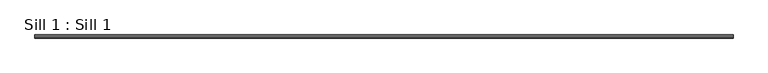
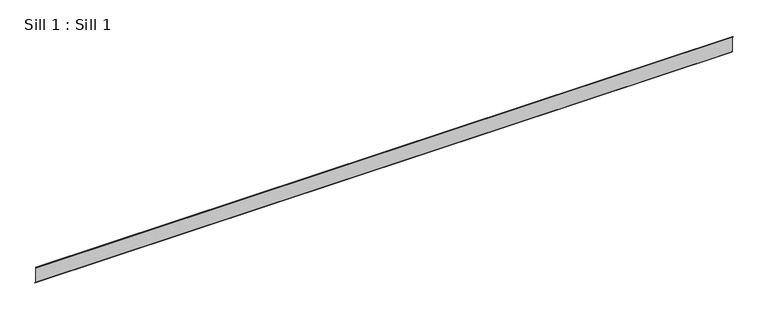
"""IFC4 building model written with IfcOpenShell, lengths in millimetres: proxy geometry, Sill 1 : Sill 1."""

from ifc_helpers import new_model, si_unit, frame, origin, place, context, project, spatial, polyline, outline, extrude, source, transform, mapped, element, save


def sill_1_sill_1_be0c2cfc(model_context):
    return source(origin(), model_context, "Body", "SweptSolid", [
        extrude(outline(polyline([(-18012.7597023, -197.090089), (-18012.7597023, -112.4991864), (-18019.7040517, -108.4888424), (-18018.9190902, -107.1295957), (-18011.1700637, -111.6046387), (-18011.1700637, -196.4354386), (-18002.6540186, -204.9514838), (-18003.7761631, -206.0736283), (-18012.7597023, -197.090089)])), frame((8296.6166837, 0.0, 0.0), z_axis=(1.0, 0.0, 0.0), x_axis=(0.0, 1.0, 0.0)), (0.0, 0.0, 1.0), 3755.7374649),
    ])


if __name__ == "__main__":
    model = new_model("IFC4")
    model_context = context("Model", 3, world=origin())
    ifc_project = project(units=[si_unit("LENGTHUNIT", "METRE", prefix="MILLI")], contexts=[model_context])
    site = spatial("IfcSite", under=ifc_project)
    building = spatial("IfcBuilding", under=site)
    placement = place(None, origin())
    sill_1_sill_1_shape = sill_1_sill_1_be0c2cfc(model_context)
    element("IfcBuildingElementProxy", 1, Name="Sill 1 : Sill 1", ObjectType="Sill 1 : Sill 1", at=placement, inside=building, context=model_context, shape_type="MappedRepresentation", body=[
        mapped(sill_1_sill_1_shape, transform((0.0, 0.0, 0.0), x_axis=(1.0, 0.0, 0.0), y_axis=(0.0, 1.0, 0.0), z_axis=(0.0, 0.0, 1.0))),
    ])
    save(model, "model.ifc")
